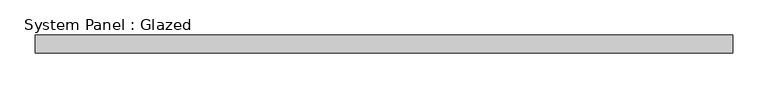
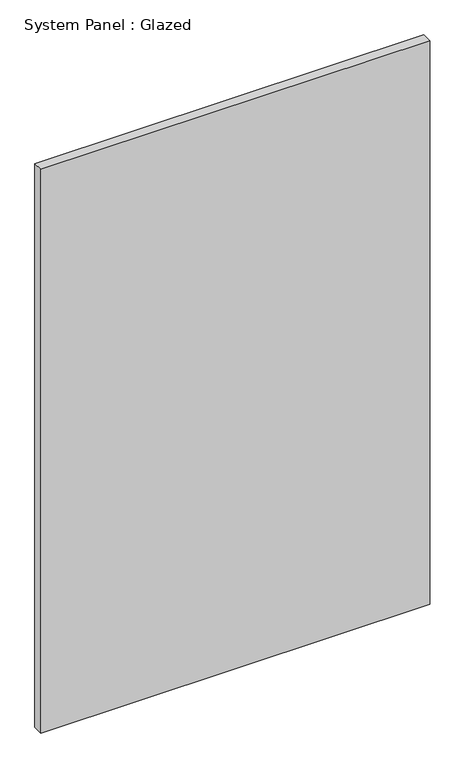
"""IFC4 building model written with IfcOpenShell, lengths in millimetres: plate geometry, System Panel : Glazed."""

from ifc_helpers import new_model, si_unit, origin, origin_with_axes, place, context, project, spatial, polyline, outline, extrude, source, transform, mapped, element, save


def system_panel_glazed_de72fa79(model_context):
    return source(origin(), model_context, "Body", "SweptSolid", [
        extrude(outline(polyline([(492.125, -12.7), (-492.125, -12.7), (-492.125, 12.7), (492.125, 12.7), (492.125, -12.7)])), origin_with_axes(), (0.0, 0.0, 1.0), 1508.125),
    ])


if __name__ == "__main__":
    model = new_model("IFC4")
    model_context = context("Model", 3, world=origin())
    ifc_project = project(units=[si_unit("LENGTHUNIT", "METRE", prefix="MILLI")], contexts=[model_context])
    site = spatial("IfcSite", under=ifc_project)
    building = spatial("IfcBuilding", under=site)
    placement = place(None, origin())
    system_panel_glazed_shape = system_panel_glazed_de72fa79(model_context)
    element("IfcPlate", 1, ObjectType="System Panel : Glazed", at=placement, inside=building, context=model_context, shape_type="MappedRepresentation", body=[
        mapped(system_panel_glazed_shape, transform((0.0, 0.0, 0.0), x_axis=(1.0, 0.0, 0.0), y_axis=(0.0, 1.0, 0.0), z_axis=(0.0, 0.0, 1.0))),
    ])
    save(model, "model.ifc")
